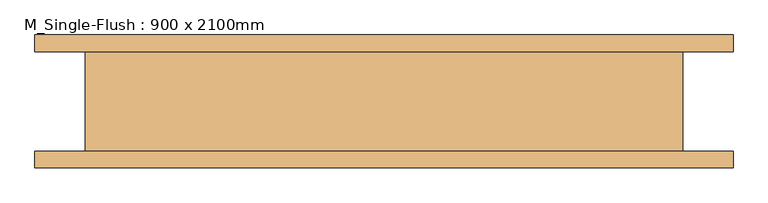
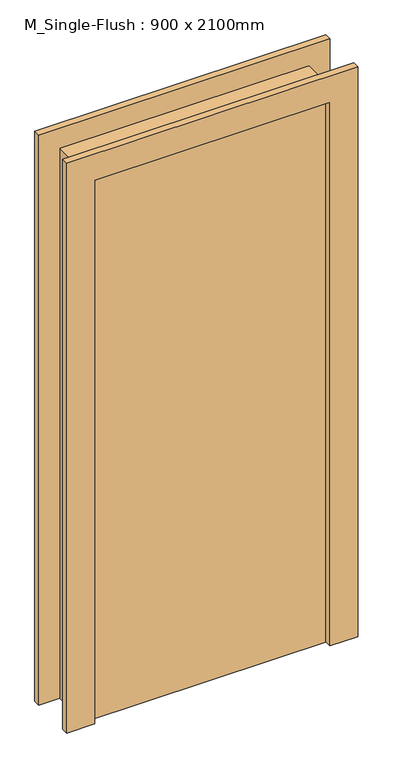
"""IFC4 building model written with IfcOpenShell, lengths in millimetres: door geometry, M_Single-Flush : 900 x 2100mm."""

from ifc_helpers import new_model, si_unit, origin, origin_with_axes, place, context, project, spatial, polyline, outline, extrude, faceted_brep, source, transform, mapped, element, save


def m_single_flush_900_x_2100mm_704a5150(model_context):
    return source(origin(), model_context, "Body", "SolidModel", [
        faceted_brep([(526.0, 100.0, 2176.0), (526.0, 100.0, 0.0), (425.0, 100.0, 0.0), (425.0, 100.0, 2075.0), (-425.0, 100.0, 2075.0), (-425.0, 100.0, 0.0), (-526.0, 100.0, 0.0), (-526.0, 100.0, 2176.0), (526.0, 75.0, 2176.0), (-526.0, 75.0, 2176.0), (-526.0, 75.0, 0.0), (-450.0, 75.0, 0.0), (-450.0, 75.0, 2100.0), (450.0, 75.0, 2100.0), (450.0, 75.0, 0.0), (526.0, 75.0, 0.0), (-425.0, -100.0, 0.0), (-526.0, -100.0, 0.0), (-526.0, -75.0, 0.0), (-450.0, -75.0, 0.0), (450.0, -75.0, 0.0), (526.0, -75.0, 0.0), (526.0, -100.0, 0.0), (425.0, -100.0, 0.0), (526.0, -100.0, 2176.0), (-526.0, -100.0, 2176.0), (-425.0, -100.0, 2075.0), (425.0, -100.0, 2075.0), (-450.0, -75.0, 2100.0), (450.0, -75.0, 2100.0), (-526.0, -75.0, 2176.0), (526.0, -75.0, 2176.0)], [[[0, 1, 2, 3, 4, 5, 6, 7]], [[8, 9, 10, 11, 12, 13, 14, 15]], [[7, 9, 8, 0]], [[6, 10, 9, 7]], [[10, 6, 5, 16, 17, 18, 19, 11]], [[14, 20, 21, 22, 23, 2, 1, 15]], [[0, 8, 15, 1]], [[22, 24, 25, 17, 16, 26, 27, 23]], [[12, 28, 29, 13]], [[11, 19, 28, 12]], [[4, 26, 16, 5]], [[3, 27, 26, 4]], [[2, 23, 27, 3]], [[13, 29, 20, 14]], [[30, 31, 21, 20, 29, 28, 19, 18]], [[24, 31, 30, 25]], [[22, 21, 31, 24]], [[25, 30, 18, 17]]]),
        extrude(outline(polyline([(450.0, -24.0), (450.0, -75.0), (-450.0, -75.0), (-450.0, -24.0), (450.0, -24.0)])), origin_with_axes(), (0.0, 0.0, 1.0), 2100.0),
    ])


if __name__ == "__main__":
    model = new_model("IFC4")
    model_context = context("Model", 3, world=origin())
    ifc_project = project(units=[si_unit("LENGTHUNIT", "METRE", prefix="MILLI")], contexts=[model_context])
    site = spatial("IfcSite", under=ifc_project)
    building = spatial("IfcBuilding", under=site)
    placement = place(None, origin())
    m_single_flush_900_x_2100mm_shape = m_single_flush_900_x_2100mm_704a5150(model_context)
    element("IfcDoor", 1, ObjectType="M_Single-Flush : 900 x 2100mm", at=placement, inside=building, context=model_context, shape_type="MappedRepresentation", body=[
        mapped(m_single_flush_900_x_2100mm_shape, transform((0.0, 0.0, 0.0), x_axis=(1.0, 0.0, 0.0), y_axis=(0.0, 1.0, 0.0), z_axis=(0.0, 0.0, 1.0))),
    ])
    save(model, "model.ifc")
